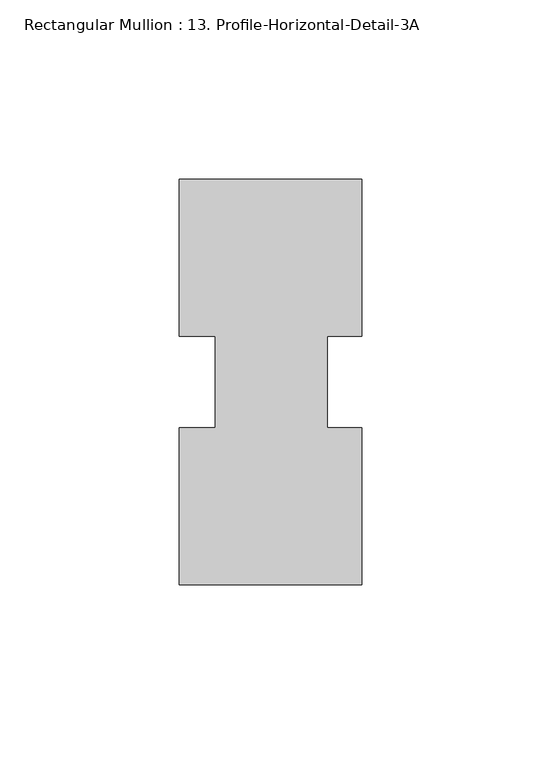
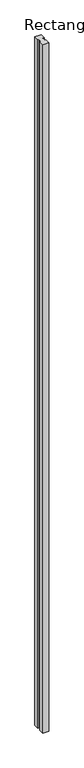
"""IFC4 building model written with IfcOpenShell, lengths in millimetres: member geometry, Rectangular Mullion : 13. Profile-Horizontal-Detail-3A."""

import ifcopenshell
import ifcopenshell.guid

model = None  # the IFC model being written
_history = None  # IfcOwnerHistory: only IFC2X3 demands one
_inside = {}  # id of a spatial element -> (the spatial element, [elements in it])
_under = {}  # id of a project, library or spatial element -> (it, [spatial elements below it])
_declared = {}  # id of a project -> (the project, [libraries it declares])
_typed = {}  # id of a type object -> (the type object, [elements of that type])
_made_of = {}  # id of a material, layer set ... -> (it, [elements and type objects made of it])


def new_model(schema):
    """Start an empty IFC model of exactly this schema.

    Asked for "IFC4X3", IfcOpenShell would pick the latest addendum, in which some entities
    have other attributes; the version numbers below select the first issue.
    IFC2X3 requires an IfcOwnerHistory on every rooted entity: one is made here for all.
    """
    global model, _history
    if schema == "IFC4X3":
        model = ifcopenshell.file(schema_version=(4, 3, 0, 0))
    else:
        model = ifcopenshell.file(schema=schema)
    _inside.clear()
    _under.clear()
    _declared.clear()
    _typed.clear()
    _made_of.clear()
    _history = None
    if model.schema == "IFC2X3":
        org = make("IfcOrganization", Name="unknown")
        user = make(
            "IfcPersonAndOrganization",
            ThePerson=make("IfcPerson", FamilyName="unknown"),
            TheOrganization=org,
        )
        app = make(
            "IfcApplication",
            ApplicationDeveloper=org,
            Version="unknown",
            ApplicationFullName="unknown",
            ApplicationIdentifier="unknown",
        )
        _history = make(
            "IfcOwnerHistory",
            OwningUser=user,
            OwningApplication=app,
            ChangeAction="ADDED",
            CreationDate=0,
        )
    return model


def make(cls, **values):
    """One entity of the class cls with the attributes given. An attribute that is None is left unset."""
    return model.create_entity(
        cls, **{name: value for name, value in values.items() if value is not None}
    )


def rooted(cls, **values):
    """An entity with a GlobalId (a new one), such as an element, a storey or a relation."""
    return make(cls, GlobalId=ifcopenshell.guid.new(), OwnerHistory=_history, **values)


def si_unit(unit_type, name, prefix=None):
    """IfcSIUnit, for example si_unit("LENGTHUNIT", "METRE", prefix="MILLI")."""
    return make("IfcSIUnit", UnitType=unit_type, Prefix=prefix, Name=name)


def assignment(units):
    """IfcUnitAssignment: the units of a project."""
    return None if units is None else make("IfcUnitAssignment", Units=units)


def point(xyz):
    """IfcCartesianPoint."""
    return None if xyz is None else make("IfcCartesianPoint", Coordinates=xyz)


def direction(xyz):
    """IfcDirection."""
    return None if xyz is None else make("IfcDirection", DirectionRatios=xyz)


def frame(location, z_axis=None, x_axis=None):
    """IfcAxis2Placement3D, a coordinate frame: its origin and axes. An axis left out is left unset."""
    return make(
        "IfcAxis2Placement3D",
        Location=point(location),
        Axis=direction(z_axis),
        RefDirection=direction(x_axis),
    )


def origin():
    """The frame at (0, 0, 0) with its axes left unset."""
    return frame((0.0, 0.0, 0.0))


def place(relative_to, where):
    """IfcLocalPlacement: puts the frame where relative to a parent placement (None: the world)."""
    return make(
        "IfcLocalPlacement", PlacementRelTo=relative_to, RelativePlacement=where
    )


def context(
    kind, dimensions, precision=None, world=None, true_north=None, identifier=None
):
    """IfcGeometricRepresentationContext, for example the 3D "Model" context."""
    return make(
        "IfcGeometricRepresentationContext",
        ContextIdentifier=identifier,
        ContextType=kind,
        CoordinateSpaceDimension=dimensions,
        Precision=precision,
        WorldCoordinateSystem=world,
        TrueNorth=true_north,
    )


def project(units=None, contexts=None):
    """IfcProject with its units and contexts."""
    return rooted(
        "IfcProject",
        Name="project",
        RepresentationContexts=contexts,
        UnitsInContext=assignment(units),
    )


def spatial(cls, under=None, at=None, **own):
    """A site, building, storey or space (cls), placed at a placement, below another one or the project."""
    s = rooted(cls, ObjectPlacement=at, **own)
    if under is not None:
        _under.setdefault(under.id(), (under, []))[1].append(s)
    return s


def polyline(points):
    """IfcPolyline through the points."""
    return make("IfcPolyline", Points=[point(p) for p in points])


def outline(outer, holes=None, kind="AREA"):
    """IfcArbitraryClosedProfileDef: a profile drawn as a closed curve; with holes, ...WithVoids."""
    if holes is None:
        return make("IfcArbitraryClosedProfileDef", ProfileType=kind, OuterCurve=outer)
    return make(
        "IfcArbitraryProfileDefWithVoids",
        ProfileType=kind,
        OuterCurve=outer,
        InnerCurves=holes,
    )


def extrude(swept, where, along, depth):
    """IfcExtrudedAreaSolid: the profile swept, set in the frame where, extruded along a direction by depth."""
    return make(
        "IfcExtrudedAreaSolid",
        SweptArea=swept,
        Position=where,
        ExtrudedDirection=direction(along),
        Depth=depth,
    )


def shape(context_of_items, identifier, shape_type, items):
    """IfcShapeRepresentation: the items that make up one representation, for example the "Body"."""
    return make(
        "IfcShapeRepresentation",
        ContextOfItems=context_of_items,
        RepresentationIdentifier=identifier,
        RepresentationType=shape_type,
        Items=items,
    )


def source(mapping_origin, context_of_items, identifier, shape_type, items):
    """IfcRepresentationMap: a shape defined once, which mapped items show again and again."""
    return make(
        "IfcRepresentationMap",
        MappingOrigin=mapping_origin,
        MappedRepresentation=shape(context_of_items, identifier, shape_type, items),
    )


def transform(
    local_origin,
    x_axis=None,
    y_axis=None,
    z_axis=None,
    scale=None,
    scale2=None,
    scale3=None,
    uniform=True,
):
    """IfcCartesianTransformationOperator3D, or its non-uniform kind. x_axis, y_axis, z_axis: its Axis1, 2, 3."""
    if uniform:
        return make(
            "IfcCartesianTransformationOperator3D",
            Axis1=direction(x_axis),
            Axis2=direction(y_axis),
            LocalOrigin=point(local_origin),
            Scale=scale,
            Axis3=direction(z_axis),
        )
    return make(
        "IfcCartesianTransformationOperator3DnonUniform",
        Axis1=direction(x_axis),
        Axis2=direction(y_axis),
        LocalOrigin=point(local_origin),
        Scale=scale,
        Axis3=direction(z_axis),
        Scale2=scale2,
        Scale3=scale3,
    )


def mapped(mapping_source, mapping_target):
    """IfcMappedItem: shows the shape of a source again, moved by a transform."""
    return make(
        "IfcMappedItem", MappingSource=mapping_source, MappingTarget=mapping_target
    )


def made_of(thing, what):
    """Note that an element or type object is made of a material, layer set ...; save() writes the relation."""
    if what is not None:
        _made_of.setdefault(what.id(), (what, []))[1].append(thing)
    return thing


def element(
    cls,
    number,
    at=None,
    inside=None,
    cuts=None,
    type_object=None,
    material=None,
    context=None,
    identifier="Body",
    shape_type=None,
    held_by="IfcProductDefinitionShape",
    body=None,
    shapes=None,
    **own,
):
    """One element of the class cls, such as IfcWall. Its Tag is "e" and its number.

    at: its placement. inside: the storey or other place that contains it. cuts: it is an
    opening in that element (IfcRelVoidsElement). A single representation is given by context,
    identifier, shape_type and body (its items); several are given by shapes. held_by: the class
    of the entity that holds the representations. save() writes the other relations.
    """
    e = rooted(cls, Tag="e%d" % number, ObjectPlacement=at, **own)
    if body is not None:
        shapes = [shape(context, identifier, shape_type, body)]
    if shapes is not None:
        e.Representation = make(held_by, Representations=shapes)
    if inside is not None:
        _inside.setdefault(inside.id(), (inside, []))[1].append(e)
    if cuts is not None:
        rooted(
            "IfcRelVoidsElement", RelatingBuildingElement=cuts, RelatedOpeningElement=e
        )
    if type_object is not None:
        _typed.setdefault(type_object.id(), (type_object, []))[1].append(e)
    return made_of(e, material)


def aggregate(whole, parts):
    """IfcRelAggregates: a whole, such as a stair, and the parts it consists of."""
    return rooted("IfcRelAggregates", RelatingObject=whole, RelatedObjects=parts)


def save(model, path):
    """Write the relations noted so far, then the file.

    IfcRelAggregates (storeys below a building ...), IfcRelContainedInSpatialStructure (elements
    in a storey), IfcRelDefinesByType, IfcRelAssociatesMaterial and IfcRelDeclares: one each for
    every whole, place, type object, material and project.
    """
    for whole, parts in _under.values():
        aggregate(whole, parts)
    for where, things in _inside.values():
        rooted(
            "IfcRelContainedInSpatialStructure",
            RelatedElements=things,
            RelatingStructure=where,
        )
    for kind, things in _typed.values():
        rooted("IfcRelDefinesByType", RelatedObjects=things, RelatingType=kind)
    for what, things in _made_of.values():
        rooted("IfcRelAssociatesMaterial", RelatedObjects=things, RelatingMaterial=what)
    for by, libraries in _declared.values():
        rooted("IfcRelDeclares", RelatingContext=by, RelatedDefinitions=libraries)
    model.write(path)


def rectangular_mullion_13_profile_horizontal_detail_3a_cc02e871(model_context):
    return source(origin(), model_context, "Body", "SweptSolid", [
        extrude(outline(polyline([(25.404498, -80.454607), (-25.3955019, -80.4558534), (-25.3965762, -36.6705196), (-15.4270818, -36.670275), (-15.4277071, -11.1825766), (-25.3972016, -11.1828212), (-25.3982765, 32.6249465), (25.4207735, 32.6261934), (25.4218482, -11.1751392), (15.8777982, -11.1753733), (15.8784237, -36.6695069), (25.4034237, -36.6692732), (25.404498, -80.454607)])), frame((0.0, 0.0, -6032.5), z_axis=(0.0, 0.0, 1.0), x_axis=(1.0, 0.0, 0.0)), (0.0, 0.0, 1.0), 6032.5),
    ])


if __name__ == "__main__":
    model = new_model("IFC4")
    model_context = context("Model", 3, world=origin())
    ifc_project = project(units=[si_unit("LENGTHUNIT", "METRE", prefix="MILLI")], contexts=[model_context])
    site = spatial("IfcSite", under=ifc_project)
    building = spatial("IfcBuilding", under=site)
    placement = place(None, origin())
    rectangular_mullion_13_profile_horizontal_detail_3a_shape = rectangular_mullion_13_profile_horizontal_detail_3a_cc02e871(model_context)
    element("IfcMember", 1, ObjectType="Rectangular Mullion : 13. Profile-Horizontal-Detail-3A", at=placement, inside=building, context=model_context, shape_type="MappedRepresentation", body=[
        mapped(rectangular_mullion_13_profile_horizontal_detail_3a_shape, transform((0.0, 0.0, 0.0), x_axis=(1.0, 0.0, 0.0), y_axis=(0.0, 1.0, 0.0), z_axis=(0.0, 0.0, 1.0))),
    ])
    save(model, "model.ifc")
